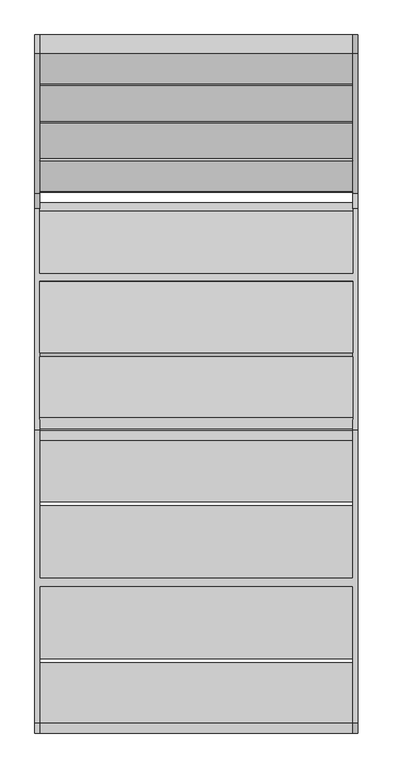
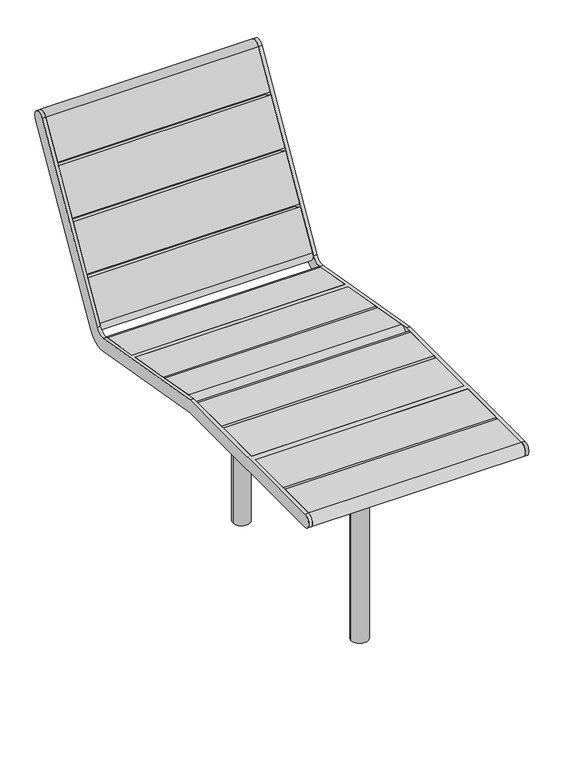
"""IFC4 building model written with IfcOpenShell, lengths in millimetres: furniture geometry."""

from ifc_helpers import new_model, si_unit, point, frame, frame_2d, origin, place, context, project, spatial, polyline, circle_curve, ellipse_curve, trimmed, segment, composite_curve, outline, extrude, source, transform, mapped, element, save
from ifc_brep_helpers import plane_surface, cylinder_surface, revolved_surface, advanced_brep


def furniture_3b56df05(model_context):
    return source(origin(), model_context, "Body", "SolidModel", [
        extrude(outline(composite_curve([segment(polyline([(18.1595311, 384.1718248), (167.0587782, 358.0606488)]), True, "CONTINUOUS"), segment(trimmed(circle_curve(frame_2d((162.9597398, 334.6858405)), 23.7314934), [point((167.0587782, 358.0606488))], [point((158.8600934, 311.3111388))], False, "CARTESIAN"), True, "CONTINUOUS"), segment(polyline([(158.8600934, 311.3111388), (9.9626627, 337.4259885), (18.1595311, 384.1718248)]), True, "CONTINUOUS")], self_intersect=False)), frame((-374.9999971, 0.0, 0.0), z_axis=(1.0, 0.0, 0.0), x_axis=(0.0, 1.0, 0.0)), (0.0, 0.0, 1.0), 750.0000214),
        extrude(outline(composite_curve([segment(polyline([(-181.8474878, 419.2453202), (-190.0856884, 372.2637707), (-334.9313858, 397.6624204)]), True, "CONTINUOUS"), segment(trimmed(circle_curve(frame_2d((-330.8121417, 421.1540151)), 23.8500145), [point((-334.9313858, 397.6624204))], [point((-326.6926316, 444.6455631))], False, "CARTESIAN"), True, "CONTINUOUS"), segment(polyline([(-326.6926316, 444.6455631), (-181.8474878, 419.2453202)]), True, "CONTINUOUS")], self_intersect=False)), frame((-374.9999971, 0.0, 0.0), z_axis=(1.0, 0.0, 0.0), x_axis=(0.0, 1.0, 0.0)), (0.0, 0.0, 1.0), 750.0000214),
        extrude(outline(polyline([(-1.5570631, 387.6293538), (-9.755477, 340.8778153), (-180.2194624, 370.5240938), (-171.9796403, 417.5148904), (-1.5570631, 387.6293538)])), frame((-374.9999971, 0.0, 0.0), z_axis=(1.0, 0.0, 0.0), x_axis=(0.0, 1.0, 0.0)), (0.0, 0.0, 1.0), 750.0000214),
        advanced_brep(
        [(-374.9999971, -1.5567879, 387.6293055), (-374.9999971, -357.1818317, 449.9922005), (-374.9999971, -711.7614578, 449.9922005), (-374.9999971, -711.7611848, 401.7752217), (-374.9999971, -358.7616772, 401.7752217), (-374.9999971, -9.7315423, 340.8106371), (-374.9999971, 585.4477964, 925.7460884), (-374.9999971, 543.6830723, 949.962694), (-374.9999971, 210.109355, 374.6536659), (-374.9999971, 172.4523933, 357.114817), (-374.9999971, 18.142614, 384.1747914), (-374.9999971, 9.9701721, 337.3693673), (-374.9999971, 172.2635425, 309.021821), (-374.9999971, 248.4256993, 344.5245381), (-374.9999971, -1058.7611286, 449.9922005), (-374.9999971, -1058.7611286, 401.7752217), (-374.9999971, -731.761182, 401.7752217), (-374.9999971, -731.7614549, 449.9922005), (-386.9999971, 585.4477964, 925.7460884), (-386.9999971, 248.4256993, 344.5245381), (-386.9999971, 172.2635425, 309.021821), (-386.9999971, -358.7616772, 401.7752217), (-386.9999971, -1058.7611286, 401.7752217), (-386.9999971, -1058.7611286, 449.9922005), (-386.9999971, -357.1818317, 449.9922005), (-386.9999971, 172.4523933, 357.114817), (-386.9999971, 210.109355, 374.6536659), (-386.9999971, 543.6830723, 949.962694), (375.0000242, -1.5593139, 387.6148384), (375.0000242, -9.7315863, 340.8103851), (375.0000242, 18.142614, 384.1747914), (374.9999971, 9.9703416, 337.3703381), (374.9999971, -357.1818317, 449.9922005), (386.9999971, -357.1818317, 449.9922005), (386.9999971, 172.4523933, 357.114817), (374.9999971, 172.4523933, 357.114817), (375.0000242, -731.7614549, 449.9922005), (374.9999971, -1058.7611286, 449.9922005), (386.9999971, -1058.7611286, 449.9922005), (374.9999971, -711.7614578, 449.9922005), (375.0000242, -711.7611848, 401.7752217), (374.9999971, -358.7616772, 401.7752217), (386.9999971, -358.7616772, 401.7752217), (386.9999971, -1058.7611286, 401.7752217), (374.9999971, -1058.7611286, 401.7752217), (374.9999971, -731.761182, 401.7752217), (374.9999971, 172.2635425, 309.021821), (386.9999971, 172.2635425, 309.021821), (374.9999971, 585.4477964, 925.7460884), (374.9999971, 248.4256993, 344.5245381), (374.9999971, 210.109355, 374.6536659), (374.9999971, 543.6830723, 949.962694), (386.9999971, 585.4477964, 925.7460884), (386.9999971, 543.6830723, 949.962694), (386.9999971, 210.109355, 374.6536659), (386.9999971, 248.4256993, 344.5245381)],
        [
            (0, 1),
            (1, 2),
            (2, 3),
            (3, 4),
            (4, 5),
            (5, 0),
            (6, 7, circle_curve(frame((-374.9999971, 564.5655918, 937.8546628), z_axis=(1.0, 0.0, 0.0), x_axis=(0.0, -1.0, 0.0)), 24.1388492)),
            (7, 8),
            (8, 9, circle_curve(frame((-374.9999971, 178.719654, 392.8539352), z_axis=(-1.0, 0.0, 0.0), x_axis=(0.0, -1.0, 0.0)), 36.284475)),
            (9, 10),
            (10, 11),
            (11, 12),
            (12, 13, circle_curve(frame((-374.9999971, 184.898862, 381.3606601), z_axis=(1.0, 0.0, 0.0), x_axis=(0.0, -1.0, 0.0)), 73.4340448)),
            (13, 6),
            (14, 15, circle_curve(frame((-374.9999971, -1058.7611286, 425.8837111), z_axis=(1.0, 0.0, 0.0), x_axis=(0.0, -1.0, 0.0)), 24.1084894)),
            (15, 16),
            (16, 17),
            (17, 14),
            (18, 19),
            (19, 20, circle_curve(frame((-386.9999971, 184.898862, 381.3606601), z_axis=(-1.0, 0.0, 0.0), x_axis=(0.0, -1.0, 0.0)), 73.4340448)),
            (20, 21),
            (21, 22),
            (22, 23, circle_curve(frame((-386.9999971, -1058.7611286, 425.8837111), z_axis=(-1.0, 0.0, 0.0), x_axis=(0.0, -1.0, 0.0)), 24.1084894)),
            (23, 24),
            (24, 25),
            (25, 26, circle_curve(frame((-386.9999971, 178.719654, 392.8539352), z_axis=(1.0, 0.0, 0.0), x_axis=(0.0, -1.0, 0.0)), 36.284475)),
            (26, 27),
            (27, 18, circle_curve(frame((-386.9999971, 564.5655918, 937.8546628), z_axis=(-1.0, 0.0, 0.0), x_axis=(0.0, -1.0, 0.0)), 24.1388492)),
            (28, 0),
            (5, 29),
            (29, 28),
            (10, 30),
            (30, 31),
            (31, 11),
            (7, 27),
            (26, 8),
            (24, 1),
            (28, 32),
            (32, 33),
            (33, 34),
            (34, 35),
            (35, 30),
            (9, 25),
            (23, 14),
            (17, 36),
            (36, 37),
            (37, 38),
            (38, 33),
            (32, 39),
            (39, 2),
            (21, 4),
            (3, 40),
            (40, 41),
            (41, 42),
            (42, 43),
            (43, 44),
            (44, 45),
            (45, 16),
            (15, 22),
            (20, 12),
            (31, 46),
            (46, 47),
            (47, 42),
            (41, 29),
            (13, 19),
            (18, 6),
            (45, 36),
            (39, 40),
            (48, 49),
            (49, 46, circle_curve(frame((374.9999971, 184.898862, 381.3606601), z_axis=(-1.0, 0.0, 0.0), x_axis=(0.0, -1.0, 0.0)), 73.4340448)),
            (35, 50, circle_curve(frame((374.9999971, 178.719654, 392.8539352), z_axis=(1.0, 0.0, 0.0), x_axis=(0.0, -1.0, 0.0)), 36.284475)),
            (50, 51),
            (51, 48, circle_curve(frame((374.9999971, 564.5655918, 937.8546628), z_axis=(-1.0, 0.0, 0.0), x_axis=(0.0, -1.0, 0.0)), 24.1388492)),
            (44, 37, circle_curve(frame((374.9999971, -1058.7611286, 425.8837111), z_axis=(-1.0, 0.0, 0.0), x_axis=(0.0, -1.0, 0.0)), 24.1084894)),
            (52, 53, circle_curve(frame((386.9999971, 564.5655918, 937.8546628), z_axis=(1.0, 0.0, 0.0), x_axis=(0.0, -1.0, 0.0)), 24.1388492)),
            (53, 54),
            (54, 34, circle_curve(frame((386.9999971, 178.719654, 392.8539352), z_axis=(-1.0, 0.0, 0.0), x_axis=(0.0, -1.0, 0.0)), 36.284475)),
            (38, 43, circle_curve(frame((386.9999971, -1058.7611286, 425.8837111), z_axis=(1.0, 0.0, 0.0), x_axis=(0.0, -1.0, 0.0)), 24.1084894)),
            (47, 55, circle_curve(frame((386.9999971, 184.898862, 381.3606601), z_axis=(1.0, 0.0, 0.0), x_axis=(0.0, -1.0, 0.0)), 73.4340448)),
            (55, 52),
            (50, 54),
            (53, 51),
            (48, 52),
            (55, 49),
        ],
        [
            plane_surface(frame((-374.9999971, 540.4267426, 937.8546628), z_axis=(1.0, 0.0, 0.0), x_axis=(0.0, 0.0, -1.0))),
            plane_surface(frame((-386.9999971, 540.4267426, 937.8546628), z_axis=(-1.0, 0.0, 0.0), x_axis=(0.0, 0.0, 1.0))),
            plane_surface(frame((375.0000242, -1.5593139, 387.6148384), z_axis=(0.0, -0.9850965343456947, 0.17200237794897386), x_axis=(-1.0, 0.0, 0.0))),
            plane_surface(frame((375.0000242, 9.9703416, 337.3703381), z_axis=(0.0, 0.9850965343456948, -0.17200237794897355), x_axis=(-1.0, 0.0, 0.0))),
            plane_surface(frame((-374.9999971, 543.6830723, 949.962694), z_axis=(0.0, -0.8651000442729311, 0.5015993554610819), x_axis=(-1.0, 0.0, 0.0))),
            plane_surface(frame((-374.9999971, 172.4523933, 357.114817), z_axis=(0.0, 0.17272568332846575, 0.984969968231882), x_axis=(-1.0, 0.0, 0.0))),
            plane_surface(frame((-374.9999971, -357.1818317, 449.9922005), z_axis=(0.0, 0.0, 1.0), x_axis=(-1.0, 0.0, 0.0))),
            plane_surface(frame((-374.9999971, -1058.7611286, 401.7752217), z_axis=(0.0, 0.0, -1.0), x_axis=(-1.0, 0.0, 0.0))),
            plane_surface(frame((-374.9999971, -358.7616772, 401.7752217), z_axis=(0.0, -0.1720635103560775, -0.9850858583920206), x_axis=(-1.0, 0.0, 0.0))),
            plane_surface(frame((-374.9999971, 248.4256993, 344.5245381), z_axis=(0.0, 0.8650869967281968, -0.501621857669489), x_axis=(-1.0, 0.0, 0.0))),
            plane_surface(frame((375.0000242, -731.7614549, 449.9921439), z_axis=(0.0, -0.9999999999839781, -5.660728431067984e-06), x_axis=(-1.0, 0.0, 0.0))),
            plane_surface(frame((375.0000242, -711.7611848, 401.7752752), z_axis=(0.0, 0.9999999999839781, 5.6607284310679754e-06), x_axis=(-1.0, 0.0, 0.0))),
            cylinder_surface(frame((-386.9999971, 564.5655918, 937.8546628), z_axis=(1.0, 0.0, 0.0), x_axis=(0.0, -1.0, 0.0)), 24.1388492),
            cylinder_surface(frame((-386.9999971, -1058.7611286, 425.8837111), z_axis=(1.0, 0.0, 0.0), x_axis=(0.0, -1.0, 0.0)), 24.1084894),
            revolved_surface(polyline([(-386.9999971, 142.435179, 392.8539352), (-374.9999971, 142.435179, 392.8539352)]), (-386.9999971, 178.719654, 392.8539352), (-1.0, 0.0, 0.0)),
            cylinder_surface(frame((-386.9999971, 184.898862, 381.3606601), z_axis=(1.0, 0.0, 0.0), x_axis=(0.0, -1.0, 0.0)), 73.4340448),
            plane_surface(frame((374.9999971, 244.4453991, 337.6601922), z_axis=(-1.0000000000000002, 0.0, 0.0), x_axis=(0.0, -0.501621857669489, -0.8650869967281968))),
            plane_surface(frame((386.9999971, 244.4453991, 337.6601922), z_axis=(1.0000000000000002, 0.0, 0.0), x_axis=(0.0, 0.501621857669489, 0.8650869967281968))),
            plane_surface(frame((374.9999971, 210.109355, 374.6536659), z_axis=(0.0, -0.8651000442729311, 0.5015993554610819), x_axis=(1.0, 0.0, 0.0))),
            plane_surface(frame((374.9999971, 585.4477964, 925.7460884), z_axis=(0.0, 0.8650869967281968, -0.501621857669489), x_axis=(1.0, 0.0, 0.0))),
            cylinder_surface(frame((386.9999971, 564.5655918, 937.8546628), z_axis=(-1.0, 0.0, 0.0), x_axis=(0.0, -1.0, 0.0)), 24.1388492),
            cylinder_surface(frame((386.9999971, -1058.7611286, 425.8837111), z_axis=(-1.0, 0.0, 0.0), x_axis=(0.0, -1.0, 0.0)), 24.1084894),
            revolved_surface(polyline([(386.9999971, 142.435179, 392.8539352), (374.9999971, 142.435179, 392.8539352)]), (386.9999971, 178.719654, 392.8539352), (1.0, 0.0, 0.0)),
            cylinder_surface(frame((386.9999971, 184.898862, 381.3606601), z_axis=(-1.0, 0.0, 0.0), x_axis=(0.0, -1.0, 0.0)), 73.4340448),
        ],
        [
            (0, [[1, 2, 3, 4, 5, 6]]),
            (0, [[7, 8, 9, 10, 11, 12, 13, 14]]),
            (0, [[15, 16, 17, 18]]),
            (1, [[19, 20, 21, 22, 23, 24, 25, 26, 27, 28]]),
            (2, [[29, -6, 30, 31]]),
            (3, [[32, 33, 34, -11]]),
            (4, [[-8, 35, -27, 36]]),
            (5, [[-25, 37, -1, -29, 38, 39, 40, 41, 42, -32, -10, 43]]),
            (6, [[-24, 44, -18, 45, 46, 47, 48, -39, 49, 50, -2, -37]]),
            (7, [[-22, 51, -4, 52, 53, 54, 55, 56, 57, 58, -16, 59]]),
            (8, [[-21, 60, -12, -34, 61, 62, 63, -54, 64, -30, -5, -51]]),
            (9, [[-14, 65, -19, 66]]),
            (10, [[-45, -17, -58, 67]]),
            (11, [[-52, -3, -50, 68]]),
            (12, [[-7, -66, -28, -35]]),
            (13, [[-15, -44, -23, -59]]),
            (14, [[-9, -36, -26, -43]]),
            (15, [[-13, -60, -20, -65]]),
            (16, [[-49, -38, -31, -64, -53, -68]]),
            (16, [[69, 70, -61, -33, -42, 71, 72, 73]]),
            (16, [[74, -46, -67, -57]]),
            (17, [[75, 76, 77, -40, -48, 78, -55, -63, 79, 80]]),
            (18, [[-72, 81, -76, 82]]),
            (19, [[-69, 83, -80, 84]]),
            (20, [[-73, -82, -75, -83]]),
            (21, [[-74, -56, -78, -47]]),
            (22, [[-71, -41, -77, -81]]),
            (23, [[-70, -84, -79, -62]]),
        ],
    ),
        extrude(outline(composite_curve([segment(polyline([(471.5451034, 825.5475419), (543.6943923, 949.9822174)]), True, "CONTINUOUS"), segment(trimmed(circle_curve(frame_2d((564.5494989, 937.8900806)), 24.1071616), [point((543.6943923, 949.9822174))], [point((585.4042909, 925.7974014))], False, "CARTESIAN"), True, "CONTINUOUS"), segment(polyline([(585.4042909, 925.7974014), (513.2181415, 801.3066158), (471.5451034, 825.5475419)]), True, "CONTINUOUS")], self_intersect=False)), frame((-374.9999971, 0.0, 0.0), z_axis=(1.0, 0.0, 0.0), x_axis=(0.0, 1.0, 0.0)), (0.0, 0.0, 1.0), 750.0000214),
        extrude(outline(polyline([(382.2060039, 671.4659052), (466.5161317, 816.8741768), (508.2154186, 792.6266246), (423.7315104, 647.3887277), (382.2060039, 671.4659052)])), frame((-374.9999971, 0.0, 0.0), z_axis=(1.0, 0.0, 0.0), x_axis=(0.0, 1.0, 0.0)), (0.0, 0.0, 1.0), 750.0000214),
        extrude(outline(composite_curve([segment(polyline([(287.8509269, 508.7332587), (329.5918386, 484.6093931), (256.4125388, 358.3907091)]), True, "CONTINUOUS"), segment(trimmed(circle_curve(frame_2d((235.5570953, 370.4823164)), 24.1071875), [point((256.4125388, 358.3907091))], [point((214.7019663, 382.5744661))], False, "CARTESIAN"), True, "CONTINUOUS"), segment(polyline([(214.7019663, 382.5744661), (287.8509269, 508.7332587)]), True, "CONTINUOUS")], self_intersect=False)), frame((-374.9999971, 0.0, 0.0), z_axis=(1.0, 0.0, 0.0), x_axis=(0.0, 1.0, 0.0)), (0.0, 0.0, 1.0), 750.0000214),
        extrude(outline(polyline([(377.1900103, 662.8149048), (418.7155169, 638.7377273), (334.6395851, 493.2632789), (292.8798825, 517.4066332), (377.1900103, 662.8149048)])), frame((-374.9999971, 0.0, 0.0), z_axis=(1.0, 0.0, 0.0), x_axis=(0.0, 1.0, 0.0)), (0.0, 0.0, 1.0), 750.0000214),
        extrude(outline(composite_curve([segment(polyline([(-528.7213941, 449.9901755), (-382.8929488, 449.9885245)]), True, "CONTINUOUS"), segment(trimmed(circle_curve(frame_2d((-382.8932217, 425.8813379)), 24.1071866), [point((-382.8929488, 449.9885245))], [point((-382.8941217, 401.7741513))], False, "CARTESIAN"), True, "CONTINUOUS"), segment(polyline([(-382.8941217, 401.7741513), (-528.7213941, 401.7795954), (-528.7213941, 449.9901755)]), True, "CONTINUOUS")], self_intersect=False)), frame((-374.9999971, 0.0, 0.0), z_axis=(1.0, 0.0, 0.0), x_axis=(0.0, 1.0, 0.0)), (0.0, 0.0, 1.0), 750.0000214),
        extrude(outline(polyline([(-711.7614578, 449.9922571), (-538.6790486, 449.9902975), (-538.7398178, 401.7536867), (-711.7620011, 401.9984594), (-711.7614578, 449.9922571)])), frame((-374.9999971, 0.0, 0.0), z_axis=(1.0, 0.0, 0.0), x_axis=(0.0, 1.0, 0.0)), (0.0, 0.0, 1.0), 750.0000214),
        extrude(outline(composite_curve([segment(polyline([(-914.8032144, 449.9942069), (-914.8032144, 401.7836268), (-1058.7349664, 401.7836268)]), True, "CONTINUOUS"), segment(trimmed(circle_curve(frame_2d((-1058.7349664, 425.8897316)), 24.1061048), [point((-1058.7349664, 401.7836268))], [point((-1058.7346935, 449.9958364))], False, "CARTESIAN"), True, "CONTINUOUS"), segment(polyline([(-1058.7346935, 449.9958364), (-914.8032144, 449.9942069)]), True, "CONTINUOUS")], self_intersect=False)), frame((-374.9999971, 0.0, 0.0), z_axis=(1.0, 0.0, 0.0), x_axis=(0.0, 1.0, 0.0)), (0.0, 0.0, 1.0), 750.0000214),
        extrude(outline(polyline([(-731.7616711, 449.9921439), (-731.7622145, 401.9983467), (-904.7847913, 401.7574912), (-904.7847913, 449.9941028), (-731.7616711, 449.9921439)])), frame((-374.9999971, 0.0, 0.0), z_axis=(1.0, 0.0, 0.0), x_axis=(0.0, 1.0, 0.0)), (0.0, 0.0, 1.0), 750.0000214),
        advanced_brep(
        [(-30.0, -721.5236916, -350.0), (30.0, -721.5236916, -350.0), (-30.0, -721.5236916, 385.7752217), (30.0, -721.5236916, 385.7752217), (49.7516144, -596.5236916, 401.7752217), (49.7516144, -846.5236916, 401.7752217), (49.7516144, -846.5236916, 385.7752217), (49.7516144, -596.5236916, 385.7752217), (-50.2483864, -596.5236916, 401.7752217), (-50.2483864, -596.5236916, 385.7752217), (-50.2483864, -846.5236916, 385.7752217), (-50.2483864, -846.5236916, 401.7752217)],
        [
            (0, 1, circle_curve(frame((0.0, -721.5236916, -350.0), z_axis=(0.0, 0.0, -1.0), x_axis=(1.0, 0.0, 0.0)), 30.0)),
            (1, 0, circle_curve(frame((0.0, -721.5236916, -350.0), z_axis=(0.0, 0.0, -1.0), x_axis=(1.0, 0.0, 0.0)), 30.0)),
            (0, 2),
            (2, 3, circle_curve(frame((0.0, -721.5236916, 385.7752217), z_axis=(0.0, 0.0, -1.0), x_axis=(1.0, 0.0, 0.0)), 30.0)),
            (3, 1),
            (3, 2, circle_curve(frame((0.0, -721.5236916, 385.7752217), z_axis=(0.0, 0.0, -1.0), x_axis=(1.0, 0.0, 0.0)), 30.0)),
            (4, 5),
            (5, 6),
            (6, 7),
            (7, 4),
            (8, 9),
            (9, 10),
            (10, 11),
            (11, 8),
            (7, 9),
            (8, 4),
            (6, 10),
            (5, 11),
        ],
        [
            plane_surface(frame((30.0, -721.5236916, -350.0), z_axis=(0.0, 0.0, -1.0), x_axis=(0.0, -1.0, 0.0))),
            cylinder_surface(frame((0.0, -721.5236916, -350.0), z_axis=(0.0, 0.0, 1.0), x_axis=(1.0, 0.0, 0.0)), 30.0),
            plane_surface(frame((49.7516144, -846.5236916, 401.7752217), z_axis=(1.0, 0.0, 0.0), x_axis=(0.0, -1.0, 0.0))),
            plane_surface(frame((-50.2483864, -846.5236916, 401.7752217), z_axis=(-1.0, 0.0, 0.0), x_axis=(0.0, 1.0, 0.0))),
            plane_surface(frame((49.7516144, -596.5236916, 385.7752217), z_axis=(0.0, 1.0, 0.0), x_axis=(-1.0, 0.0, 0.0))),
            plane_surface(frame((49.7516144, -846.5236916, 385.7752217), z_axis=(0.0, 0.0, -1.0), x_axis=(-1.0, 0.0, 0.0))),
            plane_surface(frame((49.7516144, -846.5236916, 401.7752217), z_axis=(0.0, -1.0, 0.0), x_axis=(-1.0, 0.0, 0.0))),
            plane_surface(frame((49.7516144, -596.5236916, 401.7752217), z_axis=(0.0, 0.0, 1.0), x_axis=(-1.0, 0.0, 0.0))),
        ],
        [
            (0, [[1, 2]]),
            (1, [[-1, 3, 4, 5]]),
            (1, [[-2, -5, 6, -3]]),
            (2, [[7, 8, 9, 10]]),
            (3, [[11, 12, 13, 14]]),
            (4, [[-10, 15, -11, 16]]),
            (5, [[-9, 17, -12, -15], [-4, -6]]),
            (6, [[-8, 18, -13, -17]]),
            (7, [[-7, -16, -14, -18]]),
        ],
    ),
        advanced_brep(
        [(-30.0, 0.0, -350.0), (30.0, 0.0, -350.0), (30.0, 0.0, 322.9079008), (-30.0, 0.0, 322.9079008), (49.7516144, -123.7164623, 360.7595139), (49.7516144, -126.4694785, 344.9981402), (49.7516144, 119.8019861, 301.9822626), (49.7516144, 122.5550023, 317.7436363), (-50.2483864, -123.7164623, 360.7595139), (-50.2483864, 122.5550023, 317.7436363), (-50.2483864, 119.8019861, 301.9822626), (-50.2483864, -126.4694785, 344.9981402)],
        [
            (0, 1, circle_curve(frame((0.0, 0.0, -350.0), z_axis=(0.0, 0.0, -1.0), x_axis=(1.0, 0.0, 0.0)), 30.0)),
            (1, 0, circle_curve(frame((0.0, 0.0, -350.0), z_axis=(0.0, 0.0, -1.0), x_axis=(1.0, 0.0, 0.0)), 30.0)),
            (1, 2),
            (2, 3, ellipse_curve(frame((0.0, 0.0, 322.9079008), z_axis=(0.0, -0.1720635103560778, -0.9850858583920206), x_axis=(0.0, -0.9850858583920206, 0.17206351035607725)), 30.4541982, 30.0)),
            (3, 0),
            (3, 2, ellipse_curve(frame((0.0, 0.0, 322.9079008), z_axis=(0.0, -0.1720635103560778, -0.9850858583920206), x_axis=(0.0, -0.9850858583920206, 0.17206351035607725)), 30.4541982, 30.0)),
            (4, 5),
            (5, 6),
            (6, 7),
            (7, 4),
            (8, 9),
            (9, 10),
            (10, 11),
            (11, 8),
            (4, 8),
            (11, 5),
            (10, 6),
            (9, 7),
        ],
        [
            plane_surface(frame((30.0, 0.0, -350.0), z_axis=(0.0, 0.0, -1.0), x_axis=(0.0, -1.0, 0.0))),
            cylinder_surface(frame((0.0, 0.0, -350.0), z_axis=(0.0, 0.0, 1.0), x_axis=(1.0, 0.0, 0.0)), 30.0),
            plane_surface(frame((49.7516144, -123.7164623, 360.7595139), z_axis=(1.0, 0.0, 0.0), x_axis=(0.0, -0.17206351035607553, -0.9850858583920209))),
            plane_surface(frame((-50.2483864, -123.7164623, 360.7595139), z_axis=(-1.0, 0.0, 0.0), x_axis=(0.0, 0.17206351035607553, 0.9850858583920209))),
            plane_surface(frame((49.7516144, -123.7164623, 360.7595139), z_axis=(0.0, -0.9850858583920209, 0.17206351035607553), x_axis=(-1.0, 0.0, 0.0))),
            plane_surface(frame((49.7516144, -126.4694785, 344.9981402), z_axis=(0.0, -0.1720635103560778, -0.9850858583920206), x_axis=(-1.0, 0.0, 0.0))),
            plane_surface(frame((49.7516144, 119.8019861, 301.9822626), z_axis=(0.0, 0.9850858583920209, -0.17206351035607553), x_axis=(-1.0, 0.0, 0.0))),
            plane_surface(frame((49.7516144, 122.5550023, 317.7436363), z_axis=(0.0, 0.1720635103560778, 0.9850858583920206), x_axis=(-1.0, 0.0, 0.0))),
        ],
        [
            (0, [[1, 2]]),
            (1, [[-2, 3, 4, 5]]),
            (1, [[-1, -5, 6, -3]]),
            (2, [[7, 8, 9, 10]]),
            (3, [[11, 12, 13, 14]]),
            (4, [[-7, 15, -14, 16]]),
            (5, [[-8, -16, -13, 17], [-4, -6]]),
            (6, [[-9, -17, -12, 18]]),
            (7, [[-10, -18, -11, -15]]),
        ],
    ),
    ])


if __name__ == "__main__":
    model = new_model("IFC4")
    model_context = context("Model", 3, world=origin())
    ifc_project = project(units=[si_unit("LENGTHUNIT", "METRE", prefix="MILLI")], contexts=[model_context])
    site = spatial("IfcSite", under=ifc_project)
    building = spatial("IfcBuilding", under=site)
    placement = place(None, origin())
    furniture_shape = furniture_3b56df05(model_context)
    element("IfcFurniture", 1, at=placement, inside=building, context=model_context, shape_type="MappedRepresentation", body=[
        mapped(furniture_shape, transform((0.0, 0.0, 0.0), x_axis=(1.0, 0.0, 0.0), y_axis=(0.0, 1.0, 0.0), z_axis=(0.0, 0.0, 1.0))),
    ])
    save(model, "model.ifc")
